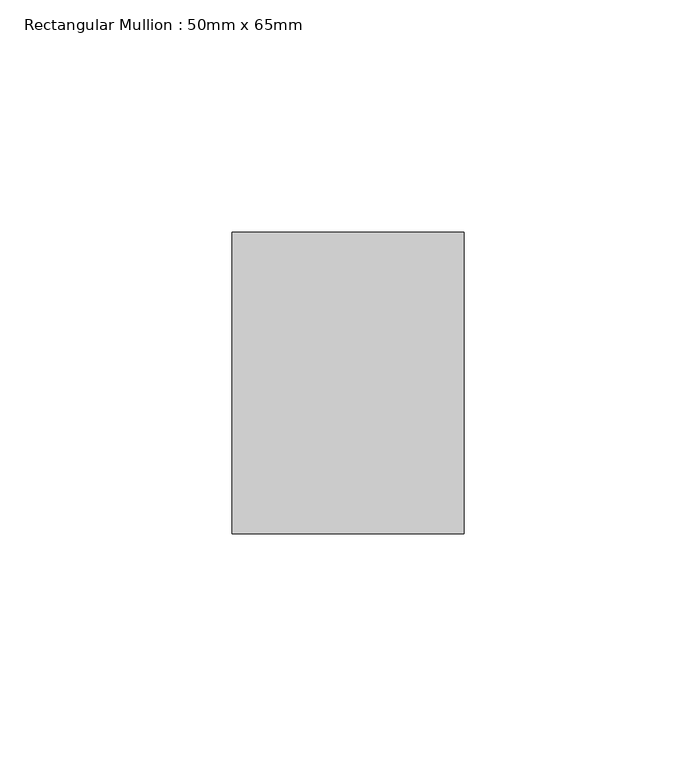
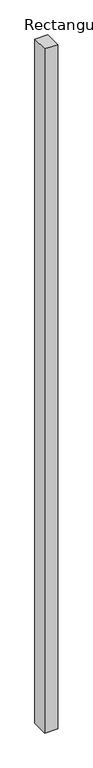
"""IFC4 building model written with IfcOpenShell, lengths in millimetres: member geometry, Rectangular Mullion : 50mm x 65mm."""

import ifcopenshell
import ifcopenshell.guid

model = None  # the IFC model being written
_history = None  # IfcOwnerHistory: only IFC2X3 demands one
_inside = {}  # id of a spatial element -> (the spatial element, [elements in it])
_under = {}  # id of a project, library or spatial element -> (it, [spatial elements below it])
_declared = {}  # id of a project -> (the project, [libraries it declares])
_typed = {}  # id of a type object -> (the type object, [elements of that type])
_made_of = {}  # id of a material, layer set ... -> (it, [elements and type objects made of it])


def new_model(schema):
    """Start an empty IFC model of exactly this schema.

    Asked for "IFC4X3", IfcOpenShell would pick the latest addendum, in which some entities
    have other attributes; the version numbers below select the first issue.
    IFC2X3 requires an IfcOwnerHistory on every rooted entity: one is made here for all.
    """
    global model, _history
    if schema == "IFC4X3":
        model = ifcopenshell.file(schema_version=(4, 3, 0, 0))
    else:
        model = ifcopenshell.file(schema=schema)
    _inside.clear()
    _under.clear()
    _declared.clear()
    _typed.clear()
    _made_of.clear()
    _history = None
    if model.schema == "IFC2X3":
        org = make("IfcOrganization", Name="unknown")
        user = make(
            "IfcPersonAndOrganization",
            ThePerson=make("IfcPerson", FamilyName="unknown"),
            TheOrganization=org,
        )
        app = make(
            "IfcApplication",
            ApplicationDeveloper=org,
            Version="unknown",
            ApplicationFullName="unknown",
            ApplicationIdentifier="unknown",
        )
        _history = make(
            "IfcOwnerHistory",
            OwningUser=user,
            OwningApplication=app,
            ChangeAction="ADDED",
            CreationDate=0,
        )
    return model


def make(cls, **values):
    """One entity of the class cls with the attributes given. An attribute that is None is left unset."""
    return model.create_entity(
        cls, **{name: value for name, value in values.items() if value is not None}
    )


def rooted(cls, **values):
    """An entity with a GlobalId (a new one), such as an element, a storey or a relation."""
    return make(cls, GlobalId=ifcopenshell.guid.new(), OwnerHistory=_history, **values)


def si_unit(unit_type, name, prefix=None):
    """IfcSIUnit, for example si_unit("LENGTHUNIT", "METRE", prefix="MILLI")."""
    return make("IfcSIUnit", UnitType=unit_type, Prefix=prefix, Name=name)


def assignment(units):
    """IfcUnitAssignment: the units of a project."""
    return None if units is None else make("IfcUnitAssignment", Units=units)


def point(xyz):
    """IfcCartesianPoint."""
    return None if xyz is None else make("IfcCartesianPoint", Coordinates=xyz)


def direction(xyz):
    """IfcDirection."""
    return None if xyz is None else make("IfcDirection", DirectionRatios=xyz)


def frame(location, z_axis=None, x_axis=None):
    """IfcAxis2Placement3D, a coordinate frame: its origin and axes. An axis left out is left unset."""
    return make(
        "IfcAxis2Placement3D",
        Location=point(location),
        Axis=direction(z_axis),
        RefDirection=direction(x_axis),
    )


def origin():
    """The frame at (0, 0, 0) with its axes left unset."""
    return frame((0.0, 0.0, 0.0))


def place(relative_to, where):
    """IfcLocalPlacement: puts the frame where relative to a parent placement (None: the world)."""
    return make(
        "IfcLocalPlacement", PlacementRelTo=relative_to, RelativePlacement=where
    )


def context(
    kind, dimensions, precision=None, world=None, true_north=None, identifier=None
):
    """IfcGeometricRepresentationContext, for example the 3D "Model" context."""
    return make(
        "IfcGeometricRepresentationContext",
        ContextIdentifier=identifier,
        ContextType=kind,
        CoordinateSpaceDimension=dimensions,
        Precision=precision,
        WorldCoordinateSystem=world,
        TrueNorth=true_north,
    )


def project(units=None, contexts=None):
    """IfcProject with its units and contexts."""
    return rooted(
        "IfcProject",
        Name="project",
        RepresentationContexts=contexts,
        UnitsInContext=assignment(units),
    )


def spatial(cls, under=None, at=None, **own):
    """A site, building, storey or space (cls), placed at a placement, below another one or the project."""
    s = rooted(cls, ObjectPlacement=at, **own)
    if under is not None:
        _under.setdefault(under.id(), (under, []))[1].append(s)
    return s


def polyline(points):
    """IfcPolyline through the points."""
    return make("IfcPolyline", Points=[point(p) for p in points])


def outline(outer, holes=None, kind="AREA"):
    """IfcArbitraryClosedProfileDef: a profile drawn as a closed curve; with holes, ...WithVoids."""
    if holes is None:
        return make("IfcArbitraryClosedProfileDef", ProfileType=kind, OuterCurve=outer)
    return make(
        "IfcArbitraryProfileDefWithVoids",
        ProfileType=kind,
        OuterCurve=outer,
        InnerCurves=holes,
    )


def extrude(swept, where, along, depth):
    """IfcExtrudedAreaSolid: the profile swept, set in the frame where, extruded along a direction by depth."""
    return make(
        "IfcExtrudedAreaSolid",
        SweptArea=swept,
        Position=where,
        ExtrudedDirection=direction(along),
        Depth=depth,
    )


def shape(context_of_items, identifier, shape_type, items):
    """IfcShapeRepresentation: the items that make up one representation, for example the "Body"."""
    return make(
        "IfcShapeRepresentation",
        ContextOfItems=context_of_items,
        RepresentationIdentifier=identifier,
        RepresentationType=shape_type,
        Items=items,
    )


def source(mapping_origin, context_of_items, identifier, shape_type, items):
    """IfcRepresentationMap: a shape defined once, which mapped items show again and again."""
    return make(
        "IfcRepresentationMap",
        MappingOrigin=mapping_origin,
        MappedRepresentation=shape(context_of_items, identifier, shape_type, items),
    )


def transform(
    local_origin,
    x_axis=None,
    y_axis=None,
    z_axis=None,
    scale=None,
    scale2=None,
    scale3=None,
    uniform=True,
):
    """IfcCartesianTransformationOperator3D, or its non-uniform kind. x_axis, y_axis, z_axis: its Axis1, 2, 3."""
    if uniform:
        return make(
            "IfcCartesianTransformationOperator3D",
            Axis1=direction(x_axis),
            Axis2=direction(y_axis),
            LocalOrigin=point(local_origin),
            Scale=scale,
            Axis3=direction(z_axis),
        )
    return make(
        "IfcCartesianTransformationOperator3DnonUniform",
        Axis1=direction(x_axis),
        Axis2=direction(y_axis),
        LocalOrigin=point(local_origin),
        Scale=scale,
        Axis3=direction(z_axis),
        Scale2=scale2,
        Scale3=scale3,
    )


def mapped(mapping_source, mapping_target):
    """IfcMappedItem: shows the shape of a source again, moved by a transform."""
    return make(
        "IfcMappedItem", MappingSource=mapping_source, MappingTarget=mapping_target
    )


def made_of(thing, what):
    """Note that an element or type object is made of a material, layer set ...; save() writes the relation."""
    if what is not None:
        _made_of.setdefault(what.id(), (what, []))[1].append(thing)
    return thing


def element(
    cls,
    number,
    at=None,
    inside=None,
    cuts=None,
    type_object=None,
    material=None,
    context=None,
    identifier="Body",
    shape_type=None,
    held_by="IfcProductDefinitionShape",
    body=None,
    shapes=None,
    **own,
):
    """One element of the class cls, such as IfcWall. Its Tag is "e" and its number.

    at: its placement. inside: the storey or other place that contains it. cuts: it is an
    opening in that element (IfcRelVoidsElement). A single representation is given by context,
    identifier, shape_type and body (its items); several are given by shapes. held_by: the class
    of the entity that holds the representations. save() writes the other relations.
    """
    e = rooted(cls, Tag="e%d" % number, ObjectPlacement=at, **own)
    if body is not None:
        shapes = [shape(context, identifier, shape_type, body)]
    if shapes is not None:
        e.Representation = make(held_by, Representations=shapes)
    if inside is not None:
        _inside.setdefault(inside.id(), (inside, []))[1].append(e)
    if cuts is not None:
        rooted(
            "IfcRelVoidsElement", RelatingBuildingElement=cuts, RelatedOpeningElement=e
        )
    if type_object is not None:
        _typed.setdefault(type_object.id(), (type_object, []))[1].append(e)
    return made_of(e, material)


def aggregate(whole, parts):
    """IfcRelAggregates: a whole, such as a stair, and the parts it consists of."""
    return rooted("IfcRelAggregates", RelatingObject=whole, RelatedObjects=parts)


def save(model, path):
    """Write the relations noted so far, then the file.

    IfcRelAggregates (storeys below a building ...), IfcRelContainedInSpatialStructure (elements
    in a storey), IfcRelDefinesByType, IfcRelAssociatesMaterial and IfcRelDeclares: one each for
    every whole, place, type object, material and project.
    """
    for whole, parts in _under.values():
        aggregate(whole, parts)
    for where, things in _inside.values():
        rooted(
            "IfcRelContainedInSpatialStructure",
            RelatedElements=things,
            RelatingStructure=where,
        )
    for kind, things in _typed.values():
        rooted("IfcRelDefinesByType", RelatedObjects=things, RelatingType=kind)
    for what, things in _made_of.values():
        rooted("IfcRelAssociatesMaterial", RelatedObjects=things, RelatingMaterial=what)
    for by, libraries in _declared.values():
        rooted("IfcRelDeclares", RelatingContext=by, RelatedDefinitions=libraries)
    model.write(path)


def rectangular_mullion_50mm_x_65mm_9c02cdf4(model_context):
    return source(origin(), model_context, "Body", "SweptSolid", [
        extrude(outline(polyline([(25.0, 32.5), (25.0, -32.5), (-25.0, -32.5), (-25.0, 32.5), (25.0, 32.5)])), frame((0.0, 0.0, -2773.8905317), z_axis=(0.0, 0.0, 1.0), x_axis=(1.0, 0.0, 0.0)), (0.0, 0.0, 1.0), 2773.8905317),
    ])


if __name__ == "__main__":
    model = new_model("IFC4")
    model_context = context("Model", 3, world=origin())
    ifc_project = project(units=[si_unit("LENGTHUNIT", "METRE", prefix="MILLI")], contexts=[model_context])
    site = spatial("IfcSite", under=ifc_project)
    building = spatial("IfcBuilding", under=site)
    placement = place(None, origin())
    rectangular_mullion_50mm_x_65mm_shape = rectangular_mullion_50mm_x_65mm_9c02cdf4(model_context)
    element("IfcMember", 1, ObjectType="Rectangular Mullion : 50mm x 65mm", at=placement, inside=building, context=model_context, shape_type="MappedRepresentation", body=[
        mapped(rectangular_mullion_50mm_x_65mm_shape, transform((0.0, 0.0, 0.0), x_axis=(1.0, 0.0, 0.0), y_axis=(0.0, 1.0, 0.0), z_axis=(0.0, 0.0, 1.0))),
    ])
    save(model, "model.ifc")
